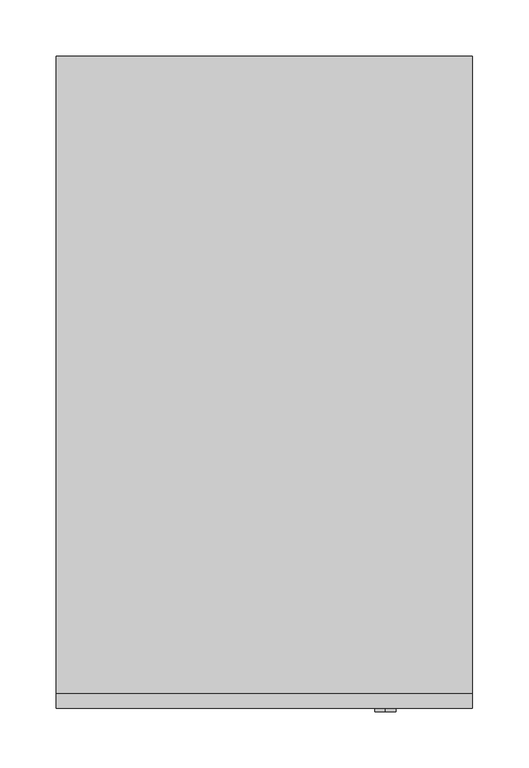
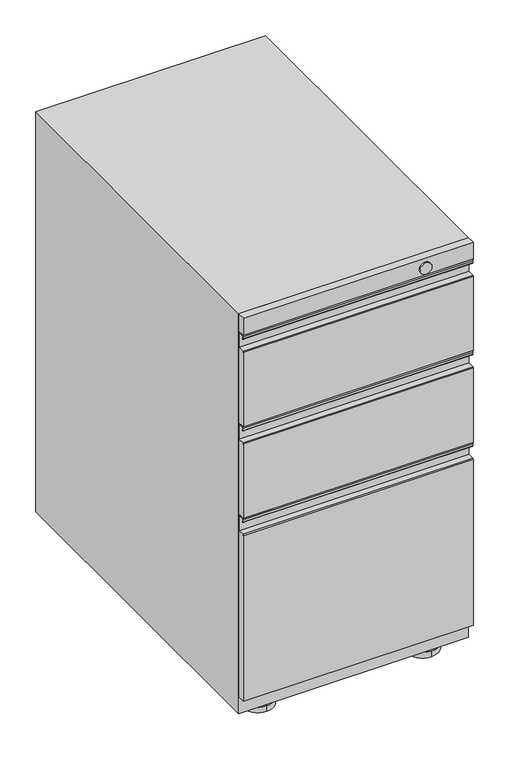
"""IFC4 building model written with IfcOpenShell, lengths in millimetres: furniture geometry."""

from ifc_helpers import new_model, si_unit, point, frame, frame_2d, origin, place, context, project, spatial, polyline, circle_curve, trimmed, segment, composite_curve, outline, extrude, source, transform, mapped, element, save
from ifc_brep_helpers import plane_surface, cylinder_surface, advanced_brep


def furniture_eea651bd(model_context):
    return source(origin(), model_context, "Body", "SolidModel", [
        advanced_brep(
        [(133.35, 274.7009902, 9.525), (133.35, 223.9009932, 9.525), (133.35, 249.3009917, 9.525), (133.35, 274.7009902, 0.0), (133.35, 223.9009932, 0.0), (133.35, 249.3009917, 0.0)],
        [
            (0, 1, circle_curve(frame((133.35, 249.3009917, 9.525), z_axis=(0.0, 0.0, 1.0), x_axis=(0.0, -1.0, 0.0)), 25.3999985)),
            (1, 2),
            (2, 0),
            (1, 0, circle_curve(frame((133.35, 249.3009917, 9.525), z_axis=(0.0, 0.0, 1.0), x_axis=(0.0, -1.0, 0.0)), 25.3999985)),
            (3, 4, circle_curve(frame((133.35, 249.3009917, 0.0), z_axis=(0.0, 0.0, 1.0), x_axis=(0.0, -1.0, 0.0)), 25.3999985)),
            (4, 1),
            (0, 3),
            (4, 3, circle_curve(frame((133.35, 249.3009917, 0.0), z_axis=(0.0, 0.0, 1.0), x_axis=(0.0, -1.0, 0.0)), 25.3999985)),
            (5, 4),
            (3, 5),
        ],
        [
            plane_surface(frame((133.35, 249.3009917, 9.525), z_axis=(0.0, 0.0, 1.0), x_axis=(0.0, -1.0, 0.0))),
            cylinder_surface(frame((133.35, 249.3009917, 0.0), z_axis=(0.0, 0.0, -1.0), x_axis=(0.0, -1.0, 0.0)), 25.3999985),
            plane_surface(frame((133.35, 249.3009917, 0.0), z_axis=(0.0, 0.0, -1.0), x_axis=(0.0, -1.0, 0.0))),
        ],
        [
            (0, [[1, 2, 3]]),
            (0, [[4, -3, -2]]),
            (1, [[5, 6, -1, 7]]),
            (1, [[8, -7, -4, -6]]),
            (2, [[9, -5, 10]]),
            (2, [[-10, -8, -9]]),
        ],
    ),
        advanced_brep(
        [(133.35, -214.3760098, 9.525), (133.35, -265.1760068, 9.525), (133.35, -239.7760083, 9.525), (133.35, -214.3760098, 0.0), (133.35, -265.1760068, 0.0), (133.35, -239.7760083, 0.0)],
        [
            (0, 1, circle_curve(frame((133.35, -239.7760083, 9.525), z_axis=(0.0, 0.0, 1.0), x_axis=(0.0, -1.0, 0.0)), 25.3999985)),
            (1, 2),
            (2, 0),
            (1, 0, circle_curve(frame((133.35, -239.7760083, 9.525), z_axis=(0.0, 0.0, 1.0), x_axis=(0.0, -1.0, 0.0)), 25.3999985)),
            (3, 4, circle_curve(frame((133.35, -239.7760083, 0.0), z_axis=(0.0, 0.0, 1.0), x_axis=(0.0, -1.0, 0.0)), 25.3999985)),
            (4, 1),
            (0, 3),
            (4, 3, circle_curve(frame((133.35, -239.7760083, 0.0), z_axis=(0.0, 0.0, 1.0), x_axis=(0.0, -1.0, 0.0)), 25.3999985)),
            (5, 4),
            (3, 5),
        ],
        [
            plane_surface(frame((133.35, -239.7760083, 9.525), z_axis=(0.0, 0.0, 1.0), x_axis=(0.0, -1.0, 0.0))),
            cylinder_surface(frame((133.35, -239.7760083, 0.0), z_axis=(0.0, 0.0, -1.0), x_axis=(0.0, -1.0, 0.0)), 25.3999985),
            plane_surface(frame((133.35, -239.7760083, 0.0), z_axis=(0.0, 0.0, -1.0), x_axis=(0.0, -1.0, 0.0))),
        ],
        [
            (0, [[1, 2, 3]]),
            (0, [[4, -3, -2]]),
            (1, [[5, 6, -1, 7]]),
            (1, [[8, -7, -4, -6]]),
            (2, [[9, -5, 10]]),
            (2, [[-10, -8, -9]]),
        ],
    ),
        advanced_brep(
        [(-133.35, -214.3760098, 9.525), (-133.35, -265.1760068, 9.525), (-133.35, -239.7760083, 9.525), (-133.35, -214.3760098, 0.0), (-133.35, -265.1760068, 0.0), (-133.35, -239.7760083, 0.0)],
        [
            (0, 1, circle_curve(frame((-133.35, -239.7760083, 9.525), z_axis=(0.0, 0.0, 1.0), x_axis=(0.0, -1.0, 0.0)), 25.3999985)),
            (1, 2),
            (2, 0),
            (1, 0, circle_curve(frame((-133.35, -239.7760083, 9.525), z_axis=(0.0, 0.0, 1.0), x_axis=(0.0, -1.0, 0.0)), 25.3999985)),
            (3, 4, circle_curve(frame((-133.35, -239.7760083, 0.0), z_axis=(0.0, 0.0, 1.0), x_axis=(0.0, -1.0, 0.0)), 25.3999985)),
            (4, 1),
            (0, 3),
            (4, 3, circle_curve(frame((-133.35, -239.7760083, 0.0), z_axis=(0.0, 0.0, 1.0), x_axis=(0.0, -1.0, 0.0)), 25.3999985)),
            (5, 4),
            (3, 5),
        ],
        [
            plane_surface(frame((-133.35, -239.7760083, 9.525), z_axis=(0.0, 0.0, 1.0), x_axis=(0.0, -1.0, 0.0))),
            cylinder_surface(frame((-133.35, -239.7760083, 0.0), z_axis=(0.0, 0.0, -1.0), x_axis=(0.0, -1.0, 0.0)), 25.3999985),
            plane_surface(frame((-133.35, -239.7760083, 0.0), z_axis=(0.0, 0.0, -1.0), x_axis=(0.0, -1.0, 0.0))),
        ],
        [
            (0, [[1, 2, 3]]),
            (0, [[4, -3, -2]]),
            (1, [[5, 6, -1, 7]]),
            (1, [[8, -7, -4, -6]]),
            (2, [[9, -5, 10]]),
            (2, [[-10, -8, -9]]),
        ],
    ),
        advanced_brep(
        [(-133.35, 274.7009902, 9.525), (-133.35, 223.9009932, 9.525), (-133.35, 249.3009917, 9.525), (-133.35, 274.7009902, 0.0), (-133.35, 223.9009932, 0.0), (-133.35, 249.3009917, 0.0)],
        [
            (0, 1, circle_curve(frame((-133.35, 249.3009917, 9.525), z_axis=(0.0, 0.0, 1.0), x_axis=(0.0, -1.0, 0.0)), 25.3999985)),
            (1, 2),
            (2, 0),
            (1, 0, circle_curve(frame((-133.35, 249.3009917, 9.525), z_axis=(0.0, 0.0, 1.0), x_axis=(0.0, -1.0, 0.0)), 25.3999985)),
            (3, 4, circle_curve(frame((-133.35, 249.3009917, 0.0), z_axis=(0.0, 0.0, 1.0), x_axis=(0.0, -1.0, 0.0)), 25.3999985)),
            (4, 1),
            (0, 3),
            (4, 3, circle_curve(frame((-133.35, 249.3009917, 0.0), z_axis=(0.0, 0.0, 1.0), x_axis=(0.0, -1.0, 0.0)), 25.3999985)),
            (5, 4),
            (3, 5),
        ],
        [
            plane_surface(frame((-133.35, 249.3009917, 9.525), z_axis=(0.0, 0.0, 1.0), x_axis=(0.0, -1.0, 0.0))),
            cylinder_surface(frame((-133.35, 249.3009917, 0.0), z_axis=(0.0, 0.0, -1.0), x_axis=(0.0, -1.0, 0.0)), 25.3999985),
            plane_surface(frame((-133.35, 249.3009917, 0.0), z_axis=(0.0, 0.0, -1.0), x_axis=(0.0, -1.0, 0.0))),
        ],
        [
            (0, [[1, 2, 3]]),
            (0, [[4, -3, -2]]),
            (1, [[5, 6, -1, 7]]),
            (1, [[8, -7, -4, -6]]),
            (2, [[9, -5, 10]]),
            (2, [[-10, -8, -9]]),
        ],
    ),
        advanced_brep(
        [(185.7375, -289.4031699, 335.0696782), (185.7375, -290.5759758, 333.8968723), (185.7375, -290.576, 50.8), (185.7375, -277.8759516, 50.8), (185.7375, -277.8759516, 360.398449), (185.7375, -279.4275147, 361.9500121), (185.7375, -288.8084988, 361.9500121), (185.7375, -290.3593495, 360.3991614), (185.7375, -290.3593495, 356.7934196), (185.7375, -287.9801911, 356.9289975), (185.7375, -289.5978404, 356.8369029), (185.7375, -289.5980437, 360.4001681), (185.7375, -288.8106644, 361.1876201), (185.7375, -279.4253361, 361.1876201), (185.7375, -278.6370869, 360.3974066), (185.7375, -278.6370869, 335.0696782), (-185.7375, -289.4031699, 335.0696782), (-185.7375, -278.6370869, 335.0696782), (-185.7375, -278.6370869, 360.3974066), (-185.7375, -279.4253361, 361.1876201), (-185.7375, -288.8106644, 361.1876201), (-185.7375, -289.5980437, 360.4001681), (-185.7375, -289.5978404, 356.8369029), (-185.7375, -287.9801911, 356.9289975), (-185.7375, -290.3593495, 356.7934196), (-185.7375, -290.3593495, 360.3991614), (-185.7375, -288.8084988, 361.9500121), (-185.7375, -279.4275147, 361.9500121), (-185.7375, -277.8759516, 360.398449), (-185.7375, -277.8759516, 50.8), (-185.7375, -290.576, 50.8), (-185.7375, -290.576, 333.8968723)],
        [
            (0, 1, circle_curve(frame((185.7375, -289.4031699, 333.8968723), z_axis=(1.0, 0.0, 0.0), x_axis=(0.0, 1.0, 0.0)), 1.1728058)),
            (1, 2),
            (2, 3),
            (3, 4),
            (4, 5, circle_curve(frame((185.7375, -279.4275147, 360.398449), z_axis=(1.0, 0.0, 0.0), x_axis=(0.0, 1.0, 0.0)), 1.5515631)),
            (5, 6),
            (6, 7, circle_curve(frame((185.7375, -288.8084988, 360.3991614), z_axis=(1.0, 0.0, 0.0), x_axis=(0.0, 1.0, 0.0)), 1.5508507)),
            (7, 8),
            (8, 9, circle_curve(frame((185.7375, -289.1659073, 356.7934196), z_axis=(1.0, 0.0, 0.0), x_axis=(0.0, 1.0, 0.0)), 1.1934422)),
            (9, 10),
            (10, 11),
            (11, 12),
            (12, 13),
            (13, 14),
            (14, 15),
            (15, 0),
            (16, 17),
            (17, 18),
            (18, 19),
            (19, 20),
            (20, 21),
            (21, 22),
            (22, 23),
            (23, 24, circle_curve(frame((-185.7375, -289.1659073, 356.7934196), z_axis=(-1.0, 0.0, 0.0), x_axis=(0.0, 1.0, 0.0)), 1.1934422)),
            (24, 25),
            (25, 26, circle_curve(frame((-185.7375, -288.8084988, 360.3991614), z_axis=(-1.0, 0.0, 0.0), x_axis=(0.0, 1.0, 0.0)), 1.5508507)),
            (26, 27),
            (27, 28, circle_curve(frame((-185.7375, -279.4275147, 360.398449), z_axis=(-1.0, 0.0, 0.0), x_axis=(0.0, 1.0, 0.0)), 1.5515631)),
            (28, 29),
            (29, 30),
            (30, 31),
            (31, 16, circle_curve(frame((-185.7375, -289.4031699, 333.8968723), z_axis=(-1.0, 0.0, 0.0), x_axis=(0.0, 1.0, 0.0)), 1.1728058)),
            (0, 16),
            (31, 1),
            (30, 2),
            (29, 3),
            (28, 4),
            (27, 5),
            (26, 6),
            (25, 7),
            (24, 8),
            (23, 9),
            (22, 10),
            (21, 11),
            (20, 12),
            (19, 13),
            (18, 14),
            (17, 15),
        ],
        [
            plane_surface(frame((185.7375, -288.2303641, 333.8968723), z_axis=(1.0, 0.0, 0.0), x_axis=(0.0, 0.0, 1.0))),
            plane_surface(frame((-185.7375, -288.2303641, 333.8968723), z_axis=(-1.0, 0.0, 0.0), x_axis=(0.0, 0.0, -1.0))),
            cylinder_surface(frame((-185.7375, -289.4031699, 333.8968723), z_axis=(1.0, 0.0, 0.0), x_axis=(0.0, 1.0, 0.0)), 1.1728058),
            plane_surface(frame((185.7375, -290.576, 333.8968723), z_axis=(0.0, -1.0, 0.0), x_axis=(-1.0, 0.0, 0.0))),
            plane_surface(frame((185.7375, -290.576, 50.8), z_axis=(0.0, 0.0, -1.0), x_axis=(-1.0, 0.0, 0.0))),
            plane_surface(frame((185.7375, -277.8759516, 50.8), z_axis=(0.0, 1.0, 0.0), x_axis=(-1.0, 0.0, 0.0))),
            cylinder_surface(frame((-185.7375, -279.4275147, 360.398449), z_axis=(1.0, 0.0, 0.0), x_axis=(0.0, 1.0, 0.0)), 1.5515631),
            plane_surface(frame((185.7375, -279.4275147, 361.9500121), z_axis=(0.0, 0.0, 1.0), x_axis=(-1.0, 0.0, 0.0))),
            cylinder_surface(frame((-185.7375, -288.8084988, 360.3991614), z_axis=(1.0, 0.0, 0.0), x_axis=(0.0, 1.0, 0.0)), 1.5508507),
            plane_surface(frame((185.7375, -290.3593495, 360.3991614), z_axis=(0.0, -1.0, 0.0), x_axis=(-1.0, 0.0, 0.0))),
            cylinder_surface(frame((-185.7375, -289.1659073, 356.7934196), z_axis=(1.0, 0.0, 0.0), x_axis=(0.0, 1.0, 0.0)), 1.1934422),
            plane_surface(frame((185.7375, -287.9801911, 356.9289975), z_axis=(0.0, -0.05683911841533976, 0.9983833505311309), x_axis=(-1.0, 0.0, 0.0))),
            plane_surface(frame((185.7375, -289.5978404, 356.8369029), z_axis=(0.0, 0.99999999837299, 5.704401746832339e-05), x_axis=(-1.0, 0.0, 0.0))),
            plane_surface(frame((185.7375, -289.5980437, 360.4001681), z_axis=(0.0, 0.7071394096054413, -0.707074151261993), x_axis=(-1.0, 0.0, 0.0))),
            plane_surface(frame((185.7375, -288.8106644, 361.1876201), z_axis=(0.0, 0.0, -1.0), x_axis=(-1.0, 0.0, 0.0))),
            plane_surface(frame((185.7375, -279.4253361, 361.1876201), z_axis=(0.0, -0.707986164937389, -0.7062263024394152), x_axis=(-1.0, 0.0, 0.0))),
            plane_surface(frame((185.7375, -278.6370869, 360.3974066), z_axis=(0.0, -1.0, 0.0), x_axis=(-1.0, 0.0, 0.0))),
            plane_surface(frame((185.7375, -278.6370869, 335.0696782), z_axis=(0.0, 0.0, 1.0), x_axis=(-1.0, 0.0, 0.0))),
        ],
        [
            (0, [[1, 2, 3, 4, 5, 6, 7, 8, 9, 10, 11, 12, 13, 14, 15, 16]]),
            (1, [[17, 18, 19, 20, 21, 22, 23, 24, 25, 26, 27, 28, 29, 30, 31, 32]]),
            (2, [[-1, 33, -32, 34]]),
            (3, [[-2, -34, -31, 35]]),
            (4, [[-3, -35, -30, 36]]),
            (5, [[-4, -36, -29, 37]]),
            (6, [[-5, -37, -28, 38]]),
            (7, [[-6, -38, -27, 39]]),
            (8, [[-7, -39, -26, 40]]),
            (9, [[-8, -40, -25, 41]]),
            (10, [[-9, -41, -24, 42]]),
            (11, [[-10, -42, -23, 43]]),
            (12, [[-11, -43, -22, 44]]),
            (13, [[-12, -44, -21, 45]]),
            (14, [[-13, -45, -20, 46]]),
            (15, [[-14, -46, -19, 47]]),
            (16, [[-15, -47, -18, 48]]),
            (17, [[-16, -48, -17, -33]]),
        ],
    ),
        extrude(outline(composite_curve([segment(trimmed(circle_curve(frame_2d((133.35, -239.7760083)), 12.7), [point((120.65, -239.7760083))], [point((146.05, -239.7760083))], False, "CARTESIAN"), True, "CONTINUOUS"), segment(trimmed(circle_curve(frame_2d((133.35, -239.7760083)), 12.7), [point((146.05, -239.7760083))], [point((120.65, -239.7760083))], False, "CARTESIAN"), True, "CONTINUOUS")], self_intersect=False)), frame((0.0, 0.0, 9.525), z_axis=(0.0, 0.0, 1.0), x_axis=(1.0, 0.0, 0.0)), (0.0, 0.0, 1.0), 12.7),
        extrude(outline(composite_curve([segment(trimmed(circle_curve(frame_2d((-133.35, -239.7760083)), 12.7), [point((-146.05, -239.7760083))], [point((-120.65, -239.7760083))], False, "CARTESIAN"), True, "CONTINUOUS"), segment(trimmed(circle_curve(frame_2d((-133.35, -239.7760083)), 12.7), [point((-120.65, -239.7760083))], [point((-146.05, -239.7760083))], False, "CARTESIAN"), True, "CONTINUOUS")], self_intersect=False)), frame((0.0, 0.0, 9.525), z_axis=(0.0, 0.0, 1.0), x_axis=(1.0, 0.0, 0.0)), (0.0, 0.0, 1.0), 12.7),
        extrude(outline(composite_curve([segment(trimmed(circle_curve(frame_2d((133.35, 249.3009917)), 12.7), [point((120.65, 249.3009917))], [point((146.05, 249.3009917))], False, "CARTESIAN"), True, "CONTINUOUS"), segment(trimmed(circle_curve(frame_2d((133.35, 249.3009917)), 12.7), [point((146.05, 249.3009917))], [point((120.65, 249.3009917))], False, "CARTESIAN"), True, "CONTINUOUS")], self_intersect=False)), frame((0.0, 0.0, 9.525), z_axis=(0.0, 0.0, 1.0), x_axis=(1.0, 0.0, 0.0)), (0.0, 0.0, 1.0), 12.7),
        extrude(outline(composite_curve([segment(trimmed(circle_curve(frame_2d((-133.35, 249.3009917)), 12.7), [point((-146.05, 249.3009917))], [point((-120.65, 249.3009917))], False, "CARTESIAN"), True, "CONTINUOUS"), segment(trimmed(circle_curve(frame_2d((-133.35, 249.3009917)), 12.7), [point((-120.65, 249.3009917))], [point((-146.05, 249.3009917))], False, "CARTESIAN"), True, "CONTINUOUS")], self_intersect=False)), frame((0.0, 0.0, 9.525), z_axis=(0.0, 0.0, 1.0), x_axis=(1.0, 0.0, 0.0)), (0.0, 0.0, 1.0), 12.7),
        advanced_brep(
        [(185.7375, -277.8759516, 516.7671982), (185.7375, -279.4275147, 518.3187614), (185.7375, -288.8084988, 518.3187614), (185.7375, -290.3593495, 516.7679107), (185.7375, -290.3593495, 513.1621689), (185.7375, -287.9801911, 513.2977468), (185.7375, -289.5978404, 513.2056521), (185.7375, -289.5980437, 516.7689174), (185.7375, -288.8106644, 517.5563693), (185.7375, -279.4253361, 517.5563693), (185.7375, -278.6370869, 516.7661558), (185.7375, -278.6370869, 491.4384274), (185.7375, -289.4031699, 491.4384274), (185.7375, -290.5759758, 490.2656216), (185.7375, -290.576, 363.5374992), (185.7375, -277.8759516, 363.5374992), (-185.7375, -277.8759516, 516.7671982), (-185.7375, -277.8759516, 363.5374992), (-185.7375, -290.576, 363.5374992), (-185.7375, -290.576, 490.2656216), (-185.7375, -289.4031699, 491.4384274), (-185.7375, -278.6370869, 491.4384274), (-185.7375, -278.6370869, 516.7661558), (-185.7375, -279.4253361, 517.5563693), (-185.7375, -288.8106644, 517.5563693), (-185.7375, -289.5980437, 516.7689174), (-185.7375, -289.5978404, 513.2056521), (-185.7375, -287.9801911, 513.2977468), (-185.7375, -290.3593495, 513.1621689), (-185.7375, -290.3593495, 516.7679107), (-185.7375, -288.8084988, 518.3187614), (-185.7375, -279.4275147, 518.3187614)],
        [
            (0, 1, circle_curve(frame((185.7375, -279.4275147, 516.7671982), z_axis=(1.0, 0.0, 0.0), x_axis=(0.0, 1.0, 0.0)), 1.5515631)),
            (1, 2),
            (2, 3, circle_curve(frame((185.7375, -288.8084988, 516.7679107), z_axis=(1.0, 0.0, 0.0), x_axis=(0.0, 1.0, 0.0)), 1.5508507)),
            (3, 4),
            (4, 5, circle_curve(frame((185.7375, -289.1659073, 513.1621689), z_axis=(1.0, 0.0, 0.0), x_axis=(0.0, 1.0, 0.0)), 1.1934422)),
            (5, 6),
            (6, 7),
            (7, 8),
            (8, 9),
            (9, 10),
            (10, 11),
            (11, 12),
            (12, 13, circle_curve(frame((185.7375, -289.4031699, 490.2656216), z_axis=(1.0, 0.0, 0.0), x_axis=(0.0, 1.0, 0.0)), 1.1728058)),
            (13, 14),
            (14, 15),
            (15, 0),
            (16, 17),
            (17, 18),
            (18, 19),
            (19, 20, circle_curve(frame((-185.7375, -289.4031699, 490.2656216), z_axis=(-1.0, 0.0, 0.0), x_axis=(0.0, 1.0, 0.0)), 1.1728058)),
            (20, 21),
            (21, 22),
            (22, 23),
            (23, 24),
            (24, 25),
            (25, 26),
            (26, 27),
            (27, 28, circle_curve(frame((-185.7375, -289.1659073, 513.1621689), z_axis=(-1.0, 0.0, 0.0), x_axis=(0.0, 1.0, 0.0)), 1.1934422)),
            (28, 29),
            (29, 30, circle_curve(frame((-185.7375, -288.8084988, 516.7679107), z_axis=(-1.0, 0.0, 0.0), x_axis=(0.0, 1.0, 0.0)), 1.5508507)),
            (30, 31),
            (31, 16, circle_curve(frame((-185.7375, -279.4275147, 516.7671982), z_axis=(-1.0, 0.0, 0.0), x_axis=(0.0, 1.0, 0.0)), 1.5515631)),
            (0, 16),
            (31, 1),
            (30, 2),
            (29, 3),
            (28, 4),
            (27, 5),
            (26, 6),
            (25, 7),
            (24, 8),
            (23, 9),
            (22, 10),
            (21, 11),
            (20, 12),
            (19, 13),
            (18, 14),
            (17, 15),
        ],
        [
            plane_surface(frame((185.7375, -277.8759516, 516.7671982), z_axis=(1.0, 0.0, 0.0), x_axis=(0.0, 0.0, 1.0))),
            plane_surface(frame((-185.7375, -277.8759516, 516.7671982), z_axis=(-1.0, 0.0, 0.0), x_axis=(0.0, 0.0, -1.0))),
            cylinder_surface(frame((-185.7375, -279.4275147, 516.7671982), z_axis=(1.0, 0.0, 0.0), x_axis=(0.0, 1.0, 0.0)), 1.5515631),
            plane_surface(frame((185.7375, -279.4275147, 518.3187614), z_axis=(0.0, 0.0, 1.0), x_axis=(-1.0, 0.0, 0.0))),
            cylinder_surface(frame((-185.7375, -288.8084988, 516.7679107), z_axis=(1.0, 0.0, 0.0), x_axis=(0.0, 1.0, 0.0)), 1.5508507),
            plane_surface(frame((185.7375, -290.3593495, 516.7679107), z_axis=(0.0, -1.0, 0.0), x_axis=(-1.0, 0.0, 0.0))),
            cylinder_surface(frame((-185.7375, -289.1659073, 513.1621689), z_axis=(1.0, 0.0, 0.0), x_axis=(0.0, 1.0, 0.0)), 1.1934422),
            plane_surface(frame((185.7375, -287.9801911, 513.2977468), z_axis=(0.0, -0.05683911841533976, 0.9983833505311309), x_axis=(-1.0, 0.0, 0.0))),
            plane_surface(frame((185.7375, -289.5978404, 513.2056521), z_axis=(0.0, 0.9999999983729901, 5.704401746832231e-05), x_axis=(-1.0, 0.0, 0.0))),
            plane_surface(frame((185.7375, -289.5980437, 516.7689174), z_axis=(0.0, 0.7071394096054413, -0.707074151261993), x_axis=(-1.0, 0.0, 0.0))),
            plane_surface(frame((185.7375, -288.8106644, 517.5563693), z_axis=(0.0, 0.0, -1.0), x_axis=(-1.0, 0.0, 0.0))),
            plane_surface(frame((185.7375, -279.4253361, 517.5563693), z_axis=(0.0, -0.707986164937389, -0.7062263024394152), x_axis=(-1.0, 0.0, 0.0))),
            plane_surface(frame((185.7375, -278.6370869, 516.7661558), z_axis=(0.0, -1.0, 0.0), x_axis=(-1.0, 0.0, 0.0))),
            plane_surface(frame((185.7375, -278.6370869, 491.4384274), z_axis=(0.0, 0.0, 1.0), x_axis=(-1.0, 0.0, 0.0))),
            cylinder_surface(frame((-185.7375, -289.4031699, 490.2656216), z_axis=(1.0, 0.0, 0.0), x_axis=(0.0, 1.0, 0.0)), 1.1728058),
            plane_surface(frame((185.7375, -290.576, 490.2656216), z_axis=(0.0, -1.0, 0.0), x_axis=(-1.0, 0.0, 0.0))),
            plane_surface(frame((185.7375, -290.576, 363.5374992), z_axis=(0.0, 0.0, -1.0), x_axis=(-1.0, 0.0, 0.0))),
            plane_surface(frame((185.7375, -277.8759516, 363.5374992), z_axis=(0.0, 1.0, 0.0), x_axis=(-1.0, 0.0, 0.0))),
        ],
        [
            (0, [[1, 2, 3, 4, 5, 6, 7, 8, 9, 10, 11, 12, 13, 14, 15, 16]]),
            (1, [[17, 18, 19, 20, 21, 22, 23, 24, 25, 26, 27, 28, 29, 30, 31, 32]]),
            (2, [[-1, 33, -32, 34]]),
            (3, [[-2, -34, -31, 35]]),
            (4, [[-3, -35, -30, 36]]),
            (5, [[-4, -36, -29, 37]]),
            (6, [[-5, -37, -28, 38]]),
            (7, [[-6, -38, -27, 39]]),
            (8, [[-7, -39, -26, 40]]),
            (9, [[-8, -40, -25, 41]]),
            (10, [[-9, -41, -24, 42]]),
            (11, [[-10, -42, -23, 43]]),
            (12, [[-11, -43, -22, 44]]),
            (13, [[-12, -44, -21, 45]]),
            (14, [[-13, -45, -20, 46]]),
            (15, [[-14, -46, -19, 47]]),
            (16, [[-15, -47, -18, 48]]),
            (17, [[-16, -48, -17, -33]]),
        ],
    ),
        advanced_brep(
        [(185.7375, -277.8759516, 673.1359482), (185.7375, -279.4275147, 674.6875114), (185.7375, -288.8084988, 674.6875114), (185.7375, -290.3593495, 673.1366607), (185.7375, -290.3593495, 669.5309189), (185.7375, -287.9803944, 669.6646957), (185.7375, -289.5980437, 669.5744021), (185.7375, -289.5980437, 673.1376674), (185.7375, -288.8106644, 673.9251193), (185.7375, -279.4253361, 673.9251193), (185.7375, -278.6370869, 673.1349058), (185.7375, -278.6370869, 647.8071774), (185.7375, -289.4031699, 647.8071774), (185.7375, -290.5759758, 646.6343716), (185.7375, -290.576, 519.9062614), (185.7375, -277.8759516, 519.9062614), (-185.7375, -277.8759516, 673.1359482), (-185.7375, -277.8759516, 519.9062614), (-185.7375, -290.576, 519.9062614), (-185.7375, -290.576, 646.6343716), (-185.7375, -289.4031699, 647.8071774), (-185.7375, -278.6370869, 647.8071774), (-185.7375, -278.6370869, 673.1349058), (-185.7375, -279.4253361, 673.9251193), (-185.7375, -288.8106644, 673.9251193), (-185.7375, -289.5980437, 673.1376674), (-185.7375, -289.5980437, 669.5744021), (-185.7375, -287.9803944, 669.6646957), (-185.7375, -290.3593495, 669.5309189), (-185.7375, -290.3593495, 673.1366607), (-185.7375, -288.8084988, 674.6875114), (-185.7375, -279.4275147, 674.6875114)],
        [
            (0, 1, circle_curve(frame((185.7375, -279.4275147, 673.1359482), z_axis=(1.0, 0.0, 0.0), x_axis=(0.0, 1.0, 0.0)), 1.5515631)),
            (1, 2),
            (2, 3, circle_curve(frame((185.7375, -288.8084988, 673.1366607), z_axis=(1.0, 0.0, 0.0), x_axis=(0.0, 1.0, 0.0)), 1.5508507)),
            (3, 4),
            (4, 5, circle_curve(frame((185.7375, -289.1661106, 669.5309189), z_axis=(1.0, 0.0, 0.0), x_axis=(0.0, 1.0, 0.0)), 1.1932389)),
            (5, 6),
            (6, 7),
            (7, 8),
            (8, 9),
            (9, 10),
            (10, 11),
            (11, 12),
            (12, 13, circle_curve(frame((185.7375, -289.4031699, 646.6343716), z_axis=(1.0, 0.0, 0.0), x_axis=(0.0, 1.0, 0.0)), 1.1728058)),
            (13, 14),
            (14, 15),
            (15, 0),
            (16, 17),
            (17, 18),
            (18, 19),
            (19, 20, circle_curve(frame((-185.7375, -289.4031699, 646.6343716), z_axis=(-1.0, 0.0, 0.0), x_axis=(0.0, 1.0, 0.0)), 1.1728058)),
            (20, 21),
            (21, 22),
            (22, 23),
            (23, 24),
            (24, 25),
            (25, 26),
            (26, 27),
            (27, 28, circle_curve(frame((-185.7375, -289.1661106, 669.5309189), z_axis=(-1.0, 0.0, 0.0), x_axis=(0.0, 1.0, 0.0)), 1.1932389)),
            (28, 29),
            (29, 30, circle_curve(frame((-185.7375, -288.8084988, 673.1366607), z_axis=(-1.0, 0.0, 0.0), x_axis=(0.0, 1.0, 0.0)), 1.5508507)),
            (30, 31),
            (31, 16, circle_curve(frame((-185.7375, -279.4275147, 673.1359482), z_axis=(-1.0, 0.0, 0.0), x_axis=(0.0, 1.0, 0.0)), 1.5515631)),
            (0, 16),
            (31, 1),
            (30, 2),
            (29, 3),
            (28, 4),
            (27, 5),
            (26, 6),
            (25, 7),
            (24, 8),
            (23, 9),
            (22, 10),
            (21, 11),
            (20, 12),
            (19, 13),
            (18, 14),
            (17, 15),
        ],
        [
            plane_surface(frame((185.7375, -277.8759516, 673.1359482), z_axis=(1.0, 0.0, 0.0), x_axis=(0.0, 0.0, 1.0))),
            plane_surface(frame((-185.7375, -277.8759516, 673.1359482), z_axis=(-1.0, 0.0, 0.0), x_axis=(0.0, 0.0, -1.0))),
            cylinder_surface(frame((-185.7375, -279.4275147, 673.1359482), z_axis=(1.0, 0.0, 0.0), x_axis=(0.0, 1.0, 0.0)), 1.5515631),
            plane_surface(frame((185.7375, -279.4275147, 674.6875114), z_axis=(0.0, 0.0, 1.0), x_axis=(-1.0, 0.0, 0.0))),
            cylinder_surface(frame((-185.7375, -288.8084988, 673.1366607), z_axis=(1.0, 0.0, 0.0), x_axis=(0.0, 1.0, 0.0)), 1.5508507),
            plane_surface(frame((185.7375, -290.3593495, 673.1366607), z_axis=(0.0, -1.0, 0.0), x_axis=(-1.0, 0.0, 0.0))),
            cylinder_surface(frame((-185.7375, -289.1661106, 669.5309189), z_axis=(1.0, 0.0, 0.0), x_axis=(0.0, 1.0, 0.0)), 1.1932389),
            plane_surface(frame((185.7375, -287.9803944, 669.6646957), z_axis=(0.0, -0.055731024374356154, 0.9984458187213691), x_axis=(-1.0, 0.0, 0.0))),
            plane_surface(frame((185.7375, -289.5980437, 669.5744021), z_axis=(0.0, 1.0, 0.0), x_axis=(-1.0, 0.0, 0.0))),
            plane_surface(frame((185.7375, -289.5980437, 673.1376674), z_axis=(0.0, 0.7071394096054413, -0.707074151261993), x_axis=(-1.0, 0.0, 0.0))),
            plane_surface(frame((185.7375, -288.8106644, 673.9251193), z_axis=(0.0, 0.0, -1.0), x_axis=(-1.0, 0.0, 0.0))),
            plane_surface(frame((185.7375, -279.4253361, 673.9251193), z_axis=(0.0, -0.707986164937389, -0.7062263024394152), x_axis=(-1.0, 0.0, 0.0))),
            plane_surface(frame((185.7375, -278.6370869, 673.1349058), z_axis=(0.0, -1.0, 0.0), x_axis=(-1.0, 0.0, 0.0))),
            plane_surface(frame((185.7375, -278.6370869, 647.8071774), z_axis=(0.0, 0.0, 1.0), x_axis=(-1.0, 0.0, 0.0))),
            cylinder_surface(frame((-185.7375, -289.4031699, 646.6343716), z_axis=(1.0, 0.0, 0.0), x_axis=(0.0, 1.0, 0.0)), 1.1728058),
            plane_surface(frame((185.7375, -290.576, 646.6343716), z_axis=(0.0, -1.0, 0.0), x_axis=(-1.0, 0.0, 0.0))),
            plane_surface(frame((185.7375, -290.576, 519.9062614), z_axis=(0.0, 0.0, -1.0), x_axis=(-1.0, 0.0, 0.0))),
            plane_surface(frame((185.7375, -277.8759516, 519.9062614), z_axis=(0.0, 1.0, 0.0), x_axis=(-1.0, 0.0, 0.0))),
        ],
        [
            (0, [[1, 2, 3, 4, 5, 6, 7, 8, 9, 10, 11, 12, 13, 14, 15, 16]]),
            (1, [[17, 18, 19, 20, 21, 22, 23, 24, 25, 26, 27, 28, 29, 30, 31, 32]]),
            (2, [[-1, 33, -32, 34]]),
            (3, [[-2, -34, -31, 35]]),
            (4, [[-3, -35, -30, 36]]),
            (5, [[-4, -36, -29, 37]]),
            (6, [[-5, -37, -28, 38]]),
            (7, [[-6, -38, -27, 39]]),
            (8, [[-7, -39, -26, 40]]),
            (9, [[-8, -40, -25, 41]]),
            (10, [[-9, -41, -24, 42]]),
            (11, [[-10, -42, -23, 43]]),
            (12, [[-11, -43, -22, 44]]),
            (13, [[-12, -44, -21, 45]]),
            (14, [[-13, -45, -20, 46]]),
            (15, [[-14, -46, -19, 47]]),
            (16, [[-15, -47, -18, 48]]),
            (17, [[-16, -48, -17, -33]]),
        ],
    ),
        extrude(outline(polyline([(185.7375, -277.8759516), (185.7375, -290.576), (-185.7375, -290.576), (-185.7375, -277.8759516), (185.7375, -277.8759516)])), frame((0.0, 0.0, 676.275), z_axis=(0.0, 0.0, 1.0), x_axis=(1.0, 0.0, 0.0)), (0.0, 0.0, 1.0), 28.575),
        extrude(outline(polyline([(185.7375, 290.576), (185.7375, -277.8759516), (-185.7375, -277.8759516), (-185.7375, 290.576), (185.7375, 290.576)])), frame((0.0, 0.0, 22.225), z_axis=(0.0, 0.0, 1.0), x_axis=(1.0, 0.0, 0.0)), (0.0, 0.0, 1.0), 682.625),
        extrude(outline(composite_curve([segment(trimmed(circle_curve(frame_2d((688.9750242, 107.9500242)), 9.525), [point((679.4500242, 107.9500242))], [point((698.5000242, 107.9500242))], False, "CARTESIAN"), True, "CONTINUOUS"), segment(trimmed(circle_curve(frame_2d((688.9750242, 107.9500242)), 9.525), [point((698.5000242, 107.9500242))], [point((679.4500242, 107.9500242))], False, "CARTESIAN"), True, "CONTINUOUS")], self_intersect=False)), frame((0.0, -293.7509879, 0.0), z_axis=(0.0, 1.0, 0.0), x_axis=(0.0, 0.0, 1.0)), (0.0, 0.0, 1.0), 3.1749879),
    ])


if __name__ == "__main__":
    model = new_model("IFC4")
    model_context = context("Model", 3, world=origin())
    ifc_project = project(units=[si_unit("LENGTHUNIT", "METRE", prefix="MILLI")], contexts=[model_context])
    site = spatial("IfcSite", under=ifc_project)
    building = spatial("IfcBuilding", under=site)
    placement = place(None, origin())
    furniture_shape = furniture_eea651bd(model_context)
    element("IfcFurniture", 1, at=placement, inside=building, context=model_context, shape_type="MappedRepresentation", body=[
        mapped(furniture_shape, transform((0.0, 0.0, 0.0), x_axis=(1.0, 0.0, 0.0), y_axis=(0.0, 1.0, 0.0), z_axis=(0.0, 0.0, 1.0))),
    ])
    save(model, "model.ifc")
